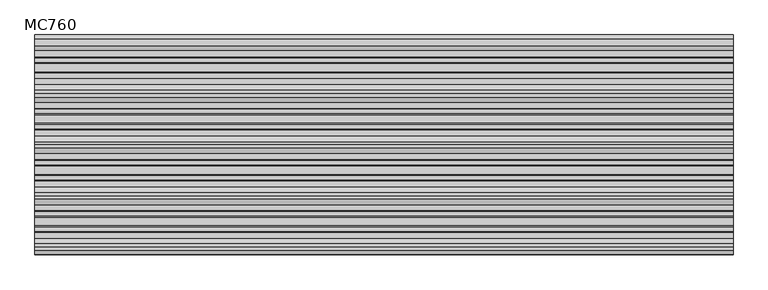
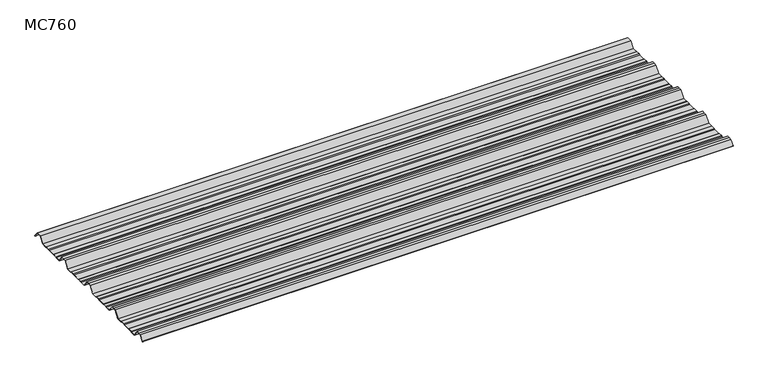
"""IFC4 building model written with IfcOpenShell, lengths in millimetres: beam geometry, MC760."""

import ifcopenshell
import ifcopenshell.guid

model = None  # the IFC model being written
_history = None  # IfcOwnerHistory: only IFC2X3 demands one
_inside = {}  # id of a spatial element -> (the spatial element, [elements in it])
_under = {}  # id of a project, library or spatial element -> (it, [spatial elements below it])
_declared = {}  # id of a project -> (the project, [libraries it declares])
_typed = {}  # id of a type object -> (the type object, [elements of that type])
_made_of = {}  # id of a material, layer set ... -> (it, [elements and type objects made of it])


def new_model(schema):
    """Start an empty IFC model of exactly this schema.

    Asked for "IFC4X3", IfcOpenShell would pick the latest addendum, in which some entities
    have other attributes; the version numbers below select the first issue.
    IFC2X3 requires an IfcOwnerHistory on every rooted entity: one is made here for all.
    """
    global model, _history
    if schema == "IFC4X3":
        model = ifcopenshell.file(schema_version=(4, 3, 0, 0))
    else:
        model = ifcopenshell.file(schema=schema)
    _inside.clear()
    _under.clear()
    _declared.clear()
    _typed.clear()
    _made_of.clear()
    _history = None
    if model.schema == "IFC2X3":
        org = make("IfcOrganization", Name="unknown")
        user = make(
            "IfcPersonAndOrganization",
            ThePerson=make("IfcPerson", FamilyName="unknown"),
            TheOrganization=org,
        )
        app = make(
            "IfcApplication",
            ApplicationDeveloper=org,
            Version="unknown",
            ApplicationFullName="unknown",
            ApplicationIdentifier="unknown",
        )
        _history = make(
            "IfcOwnerHistory",
            OwningUser=user,
            OwningApplication=app,
            ChangeAction="ADDED",
            CreationDate=0,
        )
    return model


def make(cls, **values):
    """One entity of the class cls with the attributes given. An attribute that is None is left unset."""
    return model.create_entity(
        cls, **{name: value for name, value in values.items() if value is not None}
    )


def rooted(cls, **values):
    """An entity with a GlobalId (a new one), such as an element, a storey or a relation."""
    return make(cls, GlobalId=ifcopenshell.guid.new(), OwnerHistory=_history, **values)


def si_unit(unit_type, name, prefix=None):
    """IfcSIUnit, for example si_unit("LENGTHUNIT", "METRE", prefix="MILLI")."""
    return make("IfcSIUnit", UnitType=unit_type, Prefix=prefix, Name=name)


def assignment(units):
    """IfcUnitAssignment: the units of a project."""
    return None if units is None else make("IfcUnitAssignment", Units=units)


def point(xyz):
    """IfcCartesianPoint."""
    return None if xyz is None else make("IfcCartesianPoint", Coordinates=xyz)


def direction(xyz):
    """IfcDirection."""
    return None if xyz is None else make("IfcDirection", DirectionRatios=xyz)


def frame(location, z_axis=None, x_axis=None):
    """IfcAxis2Placement3D, a coordinate frame: its origin and axes. An axis left out is left unset."""
    return make(
        "IfcAxis2Placement3D",
        Location=point(location),
        Axis=direction(z_axis),
        RefDirection=direction(x_axis),
    )


def frame_2d(location, x_axis=None):
    """IfcAxis2Placement2D, a coordinate frame in the plane: its origin and x axis."""
    return make(
        "IfcAxis2Placement2D", Location=point(location), RefDirection=direction(x_axis)
    )


def origin():
    """The frame at (0, 0, 0) with its axes left unset."""
    return frame((0.0, 0.0, 0.0))


def place(relative_to, where):
    """IfcLocalPlacement: puts the frame where relative to a parent placement (None: the world)."""
    return make(
        "IfcLocalPlacement", PlacementRelTo=relative_to, RelativePlacement=where
    )


def context(
    kind, dimensions, precision=None, world=None, true_north=None, identifier=None
):
    """IfcGeometricRepresentationContext, for example the 3D "Model" context."""
    return make(
        "IfcGeometricRepresentationContext",
        ContextIdentifier=identifier,
        ContextType=kind,
        CoordinateSpaceDimension=dimensions,
        Precision=precision,
        WorldCoordinateSystem=world,
        TrueNorth=true_north,
    )


def project(units=None, contexts=None):
    """IfcProject with its units and contexts."""
    return rooted(
        "IfcProject",
        Name="project",
        RepresentationContexts=contexts,
        UnitsInContext=assignment(units),
    )


def spatial(cls, under=None, at=None, **own):
    """A site, building, storey or space (cls), placed at a placement, below another one or the project."""
    s = rooted(cls, ObjectPlacement=at, **own)
    if under is not None:
        _under.setdefault(under.id(), (under, []))[1].append(s)
    return s


def polyline(points):
    """IfcPolyline through the points."""
    return make("IfcPolyline", Points=[point(p) for p in points])


def circle_curve(where, radius):
    """IfcCircle in the frame where."""
    return make("IfcCircle", Position=where, Radius=radius)


def trimmed(basis, trim1, trim2, sense, master):
    """IfcTrimmedCurve: the piece of a basis curve between two trims."""
    return make(
        "IfcTrimmedCurve",
        BasisCurve=basis,
        Trim1=trim1,
        Trim2=trim2,
        SenseAgreement=sense,
        MasterRepresentation=master,
    )


def segment(curve, same_sense, transition):
    """IfcCompositeCurveSegment."""
    return make(
        "IfcCompositeCurveSegment",
        Transition=transition,
        SameSense=same_sense,
        ParentCurve=curve,
    )


def composite_curve(segments, self_intersect=None):
    """IfcCompositeCurve: segments joined end to end."""
    return make("IfcCompositeCurve", Segments=segments, SelfIntersect=self_intersect)


def outline(outer, holes=None, kind="AREA"):
    """IfcArbitraryClosedProfileDef: a profile drawn as a closed curve; with holes, ...WithVoids."""
    if holes is None:
        return make("IfcArbitraryClosedProfileDef", ProfileType=kind, OuterCurve=outer)
    return make(
        "IfcArbitraryProfileDefWithVoids",
        ProfileType=kind,
        OuterCurve=outer,
        InnerCurves=holes,
    )


def extrude(swept, where, along, depth):
    """IfcExtrudedAreaSolid: the profile swept, set in the frame where, extruded along a direction by depth."""
    return make(
        "IfcExtrudedAreaSolid",
        SweptArea=swept,
        Position=where,
        ExtrudedDirection=direction(along),
        Depth=depth,
    )


def shape(context_of_items, identifier, shape_type, items):
    """IfcShapeRepresentation: the items that make up one representation, for example the "Body"."""
    return make(
        "IfcShapeRepresentation",
        ContextOfItems=context_of_items,
        RepresentationIdentifier=identifier,
        RepresentationType=shape_type,
        Items=items,
    )


def source(mapping_origin, context_of_items, identifier, shape_type, items):
    """IfcRepresentationMap: a shape defined once, which mapped items show again and again."""
    return make(
        "IfcRepresentationMap",
        MappingOrigin=mapping_origin,
        MappedRepresentation=shape(context_of_items, identifier, shape_type, items),
    )


def transform(
    local_origin,
    x_axis=None,
    y_axis=None,
    z_axis=None,
    scale=None,
    scale2=None,
    scale3=None,
    uniform=True,
):
    """IfcCartesianTransformationOperator3D, or its non-uniform kind. x_axis, y_axis, z_axis: its Axis1, 2, 3."""
    if uniform:
        return make(
            "IfcCartesianTransformationOperator3D",
            Axis1=direction(x_axis),
            Axis2=direction(y_axis),
            LocalOrigin=point(local_origin),
            Scale=scale,
            Axis3=direction(z_axis),
        )
    return make(
        "IfcCartesianTransformationOperator3DnonUniform",
        Axis1=direction(x_axis),
        Axis2=direction(y_axis),
        LocalOrigin=point(local_origin),
        Scale=scale,
        Axis3=direction(z_axis),
        Scale2=scale2,
        Scale3=scale3,
    )


def mapped(mapping_source, mapping_target):
    """IfcMappedItem: shows the shape of a source again, moved by a transform."""
    return make(
        "IfcMappedItem", MappingSource=mapping_source, MappingTarget=mapping_target
    )


def made_of(thing, what):
    """Note that an element or type object is made of a material, layer set ...; save() writes the relation."""
    if what is not None:
        _made_of.setdefault(what.id(), (what, []))[1].append(thing)
    return thing


def element(
    cls,
    number,
    at=None,
    inside=None,
    cuts=None,
    type_object=None,
    material=None,
    context=None,
    identifier="Body",
    shape_type=None,
    held_by="IfcProductDefinitionShape",
    body=None,
    shapes=None,
    **own,
):
    """One element of the class cls, such as IfcWall. Its Tag is "e" and its number.

    at: its placement. inside: the storey or other place that contains it. cuts: it is an
    opening in that element (IfcRelVoidsElement). A single representation is given by context,
    identifier, shape_type and body (its items); several are given by shapes. held_by: the class
    of the entity that holds the representations. save() writes the other relations.
    """
    e = rooted(cls, Tag="e%d" % number, ObjectPlacement=at, **own)
    if body is not None:
        shapes = [shape(context, identifier, shape_type, body)]
    if shapes is not None:
        e.Representation = make(held_by, Representations=shapes)
    if inside is not None:
        _inside.setdefault(inside.id(), (inside, []))[1].append(e)
    if cuts is not None:
        rooted(
            "IfcRelVoidsElement", RelatingBuildingElement=cuts, RelatedOpeningElement=e
        )
    if type_object is not None:
        _typed.setdefault(type_object.id(), (type_object, []))[1].append(e)
    return made_of(e, material)


def aggregate(whole, parts):
    """IfcRelAggregates: a whole, such as a stair, and the parts it consists of."""
    return rooted("IfcRelAggregates", RelatingObject=whole, RelatedObjects=parts)


def save(model, path):
    """Write the relations noted so far, then the file.

    IfcRelAggregates (storeys below a building ...), IfcRelContainedInSpatialStructure (elements
    in a storey), IfcRelDefinesByType, IfcRelAssociatesMaterial and IfcRelDeclares: one each for
    every whole, place, type object, material and project.
    """
    for whole, parts in _under.values():
        aggregate(whole, parts)
    for where, things in _inside.values():
        rooted(
            "IfcRelContainedInSpatialStructure",
            RelatedElements=things,
            RelatingStructure=where,
        )
    for kind, things in _typed.values():
        rooted("IfcRelDefinesByType", RelatedObjects=things, RelatingType=kind)
    for what, things in _made_of.values():
        rooted("IfcRelAssociatesMaterial", RelatedObjects=things, RelatingMaterial=what)
    for by, libraries in _declared.values():
        rooted("IfcRelDeclares", RelatingContext=by, RelatedDefinitions=libraries)
    model.write(path)


def mc760_cf1d853e(model_context):
    return source(origin(), model_context, "Body", "SweptSolid", [
        extrude(outline(composite_curve([segment(polyline([(-157.5000859, -25.7896475), (-178.0745114, 2.2103525), (-190.0, 2.2103525), (-201.9254886, 2.2103525), (-222.4999141, -25.7896475), (-245.1975582, -25.7896475), (-248.4126024, -23.7494212), (-264.8405937, -23.7494212), (-269.2209114, -25.7896475), (-300.7790886, -25.7896475), (-305.1594063, -23.7494212), (-321.5873976, -23.7494212), (-324.8024418, -25.7896475), (-347.5000859, -25.7896475), (-368.0745114, 2.2103525), (-380.0, 2.2103525), (-391.9254886, 2.2103525), (-412.4999141, -25.7896475), (-435.1975582, -25.7896475), (-438.4126024, -23.7494212), (-454.8405937, -23.7494212), (-459.2209114, -25.7896475), (-490.7790886, -25.7896475), (-495.1594063, -23.7494212), (-511.5873976, -23.7494212), (-514.8024418, -25.7896475), (-537.5000859, -25.7896475), (-558.0745114, 2.2103525), (-570.0, 2.2103525), (-581.9254886, 2.2103525), (-602.4999141, -25.7896475), (-625.1975582, -25.7896475), (-628.4126024, -23.7494212), (-644.8405937, -23.7494212), (-649.2209114, -25.7896475), (-680.7790886, -25.7896475), (-685.1594063, -23.7494212), (-701.5873976, -23.7494212), (-704.8024418, -25.7896475), (-727.5000859, -25.7896475), (-748.0745114, 2.2103525), (-760.0, 2.2103525), (-771.9254886, 2.2103525), (-787.4770979, -18.9540324)]), True, "CONTINUOUS"), segment(trimmed(circle_curve(frame_2d((-787.9022179, -18.6416538)), 0.5275485), [point((-787.4770979, -18.9540324))], [point((-788.327338, -18.3292752))], False, "CARTESIAN"), True, "CONTINUOUS"), segment(polyline([(-788.327338, -18.3292752), (-772.5, 3.2103525), (-760.0, 3.2103525), (-747.5, 3.2103525), (-726.9255746, -24.7896475), (-705.0929563, -24.7896475), (-701.8779121, -22.7494212), (-684.9379428, -22.7494212), (-680.5576251, -24.7896475), (-649.4423749, -24.7896475), (-645.0620572, -22.7494212), (-628.1220879, -22.7494212), (-624.9070437, -24.7896475), (-603.0744254, -24.7896475), (-582.5, 3.2103525), (-570.0, 3.2103525), (-557.5, 3.2103525), (-536.9255746, -24.7896475), (-515.0929563, -24.7896475), (-511.8779121, -22.7494212), (-494.9379428, -22.7494212), (-490.5576251, -24.7896475), (-459.4423749, -24.7896475), (-455.0620572, -22.7494212), (-438.1220879, -22.7494212), (-434.9070437, -24.7896475), (-413.0744254, -24.7896475), (-392.5, 3.2103525), (-380.0, 3.2103525), (-367.5, 3.2103525), (-346.9255746, -24.7896475), (-325.0929563, -24.7896475), (-321.8779121, -22.7494212), (-304.9379428, -22.7494212), (-300.5576251, -24.7896475), (-269.4423749, -24.7896475), (-265.0620572, -22.7494212), (-248.1220879, -22.7494212), (-244.9070437, -24.7896475), (-223.0744254, -24.7896475), (-202.5, 3.2103525), (-190.0, 3.2103525), (-177.5, 3.2103525), (-156.9255746, -24.7896475), (-135.0929563, -24.7896475), (-131.8779121, -22.7494212), (-114.9379428, -22.7494212), (-110.5576251, -24.7896475), (-79.4423749, -24.7896475), (-75.0620572, -22.7494212), (-58.1220879, -22.7494212), (-54.9070437, -24.7896475), (-30.524173, -24.7896475), (-11.4193494, 1.2103525), (11.4193494, 1.2103525), (27.9327415, -21.262935)]), True, "CONTINUOUS"), segment(trimmed(circle_curve(frame_2d((27.5298212, -21.5590012)), 0.5), [point((27.9327415, -21.262935))], [point((27.1269009, -21.8550675))], False, "CARTESIAN"), True, "CONTINUOUS"), segment(polyline([(27.1269009, -21.8550675), (10.9132102, 0.2103525), (-10.9132102, 0.2103525), (-30.0180338, -25.7896475), (-55.1975582, -25.7896475), (-58.4126024, -23.7494212), (-74.8405937, -23.7494212), (-79.2209114, -25.7896475), (-110.7790886, -25.7896475), (-115.1594063, -23.7494212), (-131.5873976, -23.7494212), (-134.8024418, -25.7896475), (-157.5000859, -25.7896475)]), True, "CONTINUOUS")], self_intersect=False)), frame((-1295.1012987, 0.0, 0.0), z_axis=(1.0, 0.0, 0.0), x_axis=(0.0, 1.0, 0.0)), (0.0, 0.0, 1.0), 2590.2025973),
    ])


if __name__ == "__main__":
    model = new_model("IFC4")
    model_context = context("Model", 3, world=origin())
    ifc_project = project(units=[si_unit("LENGTHUNIT", "METRE", prefix="MILLI")], contexts=[model_context])
    site = spatial("IfcSite", under=ifc_project)
    building = spatial("IfcBuilding", under=site)
    placement = place(None, origin())
    mc760_shape = mc760_cf1d853e(model_context)
    element("IfcBeam", 1, ObjectType="MC760", at=placement, inside=building, context=model_context, shape_type="MappedRepresentation", body=[
        mapped(mc760_shape, transform((0.0, 0.0, 0.0), x_axis=(1.0, 0.0, 0.0), y_axis=(0.0, 1.0, 0.0), z_axis=(0.0, 0.0, 1.0))),
    ])
    save(model, "model.ifc")
